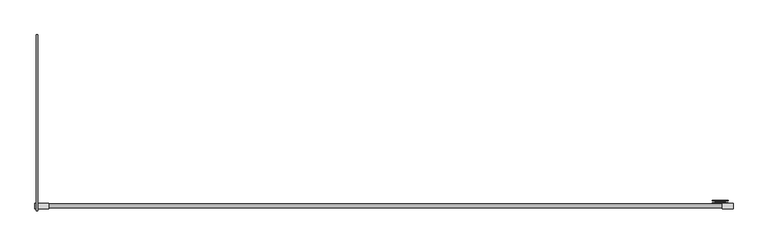
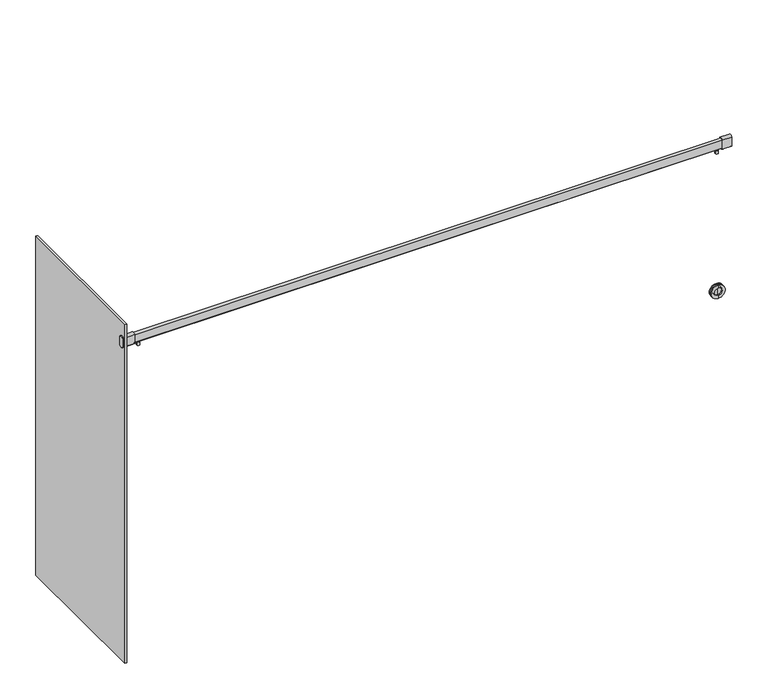
"""IFC4 building model written with IfcOpenShell, lengths in millimetres: proxy geometry."""

from ifc_helpers import new_model, si_unit, point, frame, frame_2d, origin, place, context, project, spatial, polyline, circle_curve, trimmed, segment, composite_curve, outline, extrude, source, transform, mapped, element, save
from ifc_brep_helpers import plane_surface, cylinder_surface, revolved_surface, advanced_brep


def specialty_equipment_ac7510e5(model_context):
    return source(origin(), model_context, "Body", "SolidModel", [
        advanced_brep(
        [(1731.9625, 33.8125, 1117.6), (1731.9625, 33.8125, 1035.05), (1731.9625, 29.05, 1035.05), (1731.9625, 29.05, 1117.6), (1731.9625, 33.8125, 1103.3125), (1731.9625, 33.8125, 1049.3375), (1731.9625, 38.575, 1103.3125), (1731.9625, 38.575, 1049.3375), (1731.9625, 38.575, 1076.325), (1731.9625, 37.78125, 1100.1375), (1731.9625, 37.78125, 1052.5125), (1731.9625, 37.78125, 1076.325), (1731.9625, 29.05, 1100.1375), (1731.9625, 29.05, 1052.5125)],
        [
            (0, 1, circle_curve(frame((1731.9625, 33.8125, 1076.325), z_axis=(0.0, -1.0, 0.0), x_axis=(0.0, 0.0, -1.0)), 41.275)),
            (1, 2),
            (2, 3, circle_curve(frame((1731.9625, 29.05, 1076.325), z_axis=(0.0, 1.0, 0.0), x_axis=(0.0, 0.0, -1.0)), 41.275)),
            (3, 0),
            (1, 0, circle_curve(frame((1731.9625, 33.8125, 1076.325), z_axis=(0.0, -1.0, 0.0), x_axis=(0.0, 0.0, -1.0)), 41.275)),
            (3, 2, circle_curve(frame((1731.9625, 29.05, 1076.325), z_axis=(0.0, 1.0, 0.0), x_axis=(0.0, 0.0, -1.0)), 41.275)),
            (4, 5, circle_curve(frame((1731.9625, 33.8125, 1076.325), z_axis=(0.0, -1.0, 0.0), x_axis=(0.0, 0.0, -1.0)), 26.9875)),
            (5, 1),
            (0, 4),
            (5, 4, circle_curve(frame((1731.9625, 33.8125, 1076.325), z_axis=(0.0, -1.0, 0.0), x_axis=(0.0, 0.0, -1.0)), 26.9875)),
            (6, 7, circle_curve(frame((1731.9625, 38.575, 1076.325), z_axis=(0.0, -1.0, 0.0), x_axis=(0.0, 0.0, -1.0)), 26.9875)),
            (7, 5),
            (4, 6),
            (7, 6, circle_curve(frame((1731.9625, 38.575, 1076.325), z_axis=(0.0, -1.0, 0.0), x_axis=(0.0, 0.0, -1.0)), 26.9875)),
            (8, 7),
            (6, 8),
            (9, 10, circle_curve(frame((1731.9625, 37.78125, 1076.325), z_axis=(0.0, -1.0, 0.0), x_axis=(0.0, 0.0, -1.0)), 23.8125)),
            (10, 11),
            (11, 9),
            (10, 9, circle_curve(frame((1731.9625, 37.78125, 1076.325), z_axis=(0.0, -1.0, 0.0), x_axis=(0.0, 0.0, -1.0)), 23.8125)),
            (12, 13, circle_curve(frame((1731.9625, 29.05, 1076.325), z_axis=(0.0, -1.0, 0.0), x_axis=(0.0, 0.0, -1.0)), 23.8125)),
            (13, 10),
            (9, 12),
            (13, 12, circle_curve(frame((1731.9625, 29.05, 1076.325), z_axis=(0.0, -1.0, 0.0), x_axis=(0.0, 0.0, -1.0)), 23.8125)),
            (2, 13),
            (12, 3),
        ],
        [
            cylinder_surface(frame((1731.9625, -13.175, 1076.325), z_axis=(0.0, 1.0, 0.0), x_axis=(0.0, 0.0, -1.0)), 41.275),
            plane_surface(frame((1731.9625, 33.8125, 1076.325), z_axis=(0.0, 1.0, 0.0), x_axis=(0.0, 0.0, -1.0))),
            cylinder_surface(frame((1731.9625, -13.175, 1076.325), z_axis=(0.0, 1.0, 0.0), x_axis=(0.0, 0.0, -1.0)), 26.9875),
            plane_surface(frame((1731.9625, 38.575, 1076.325), z_axis=(0.0, 1.0, 0.0), x_axis=(0.0, 0.0, -1.0))),
            plane_surface(frame((1731.9625, 37.78125, 1076.325), z_axis=(0.0, -1.0, 0.0), x_axis=(0.0, 0.0, -1.0))),
            revolved_surface(polyline([(1731.9625, 37.78125, 1052.5125), (1731.9625, 29.05, 1052.5125)]), (1731.9625, -13.175, 1076.325), (0.0, 1.0, 0.0)),
            plane_surface(frame((1731.9625, 29.05, 1076.325), z_axis=(0.0, -1.0, 0.0), x_axis=(0.0, 0.0, -1.0))),
        ],
        [
            (0, [[1, 2, 3, 4]]),
            (0, [[5, -4, 6, -2]]),
            (1, [[7, 8, -1, 9]]),
            (1, [[10, -9, -5, -8]]),
            (2, [[11, 12, -7, 13]]),
            (2, [[14, -13, -10, -12]]),
            (3, [[15, -11, 16]]),
            (3, [[-16, -14, -15]]),
            (4, [[17, 18, 19]]),
            (4, [[20, -19, -18]]),
            (5, [[21, 22, -17, 23]]),
            (5, [[24, -23, -20, -22]]),
            (6, [[-3, 25, -21, 26]]),
            (6, [[-6, -26, -24, -25]]),
        ],
    ),
        advanced_brep(
        [(1731.9625, 48.1, 1100.1375), (1731.9625, 48.1, 1052.5125), (1731.9625, 48.1, 1035.05), (1731.9625, 48.1, 1117.6), (1731.9625, 39.36875, 1100.1375), (1731.9625, 39.36875, 1052.5125), (1731.9625, 39.36875, 1076.325), (1731.9625, 38.575, 1103.3125), (1731.9625, 38.575, 1049.3375), (1731.9625, 38.575, 1076.325), (1731.9625, 43.3375, 1103.3125), (1731.9625, 43.3375, 1049.3375), (1731.9625, 43.3375, 1117.6), (1731.9625, 43.3375, 1035.05)],
        [
            (0, 1, circle_curve(frame((1731.9625, 48.1, 1076.325), z_axis=(0.0, -1.0, 0.0), x_axis=(0.0, 0.0, -1.0)), 23.8125)),
            (1, 2),
            (2, 3, circle_curve(frame((1731.9625, 48.1, 1076.325), z_axis=(0.0, 1.0, 0.0), x_axis=(0.0, 0.0, -1.0)), 41.275)),
            (3, 0),
            (1, 0, circle_curve(frame((1731.9625, 48.1, 1076.325), z_axis=(0.0, -1.0, 0.0), x_axis=(0.0, 0.0, -1.0)), 23.8125)),
            (3, 2, circle_curve(frame((1731.9625, 48.1, 1076.325), z_axis=(0.0, 1.0, 0.0), x_axis=(0.0, 0.0, -1.0)), 41.275)),
            (4, 5, circle_curve(frame((1731.9625, 39.36875, 1076.325), z_axis=(0.0, -1.0, 0.0), x_axis=(0.0, 0.0, -1.0)), 23.8125)),
            (5, 1),
            (0, 4),
            (5, 4, circle_curve(frame((1731.9625, 39.36875, 1076.325), z_axis=(0.0, -1.0, 0.0), x_axis=(0.0, 0.0, -1.0)), 23.8125)),
            (6, 5),
            (4, 6),
            (7, 8, circle_curve(frame((1731.9625, 38.575, 1076.325), z_axis=(0.0, -1.0, 0.0), x_axis=(0.0, 0.0, -1.0)), 26.9875)),
            (8, 9),
            (9, 7),
            (8, 7, circle_curve(frame((1731.9625, 38.575, 1076.325), z_axis=(0.0, -1.0, 0.0), x_axis=(0.0, 0.0, -1.0)), 26.9875)),
            (10, 11, circle_curve(frame((1731.9625, 43.3375, 1076.325), z_axis=(0.0, -1.0, 0.0), x_axis=(0.0, 0.0, -1.0)), 26.9875)),
            (11, 8),
            (7, 10),
            (11, 10, circle_curve(frame((1731.9625, 43.3375, 1076.325), z_axis=(0.0, -1.0, 0.0), x_axis=(0.0, 0.0, -1.0)), 26.9875)),
            (12, 13, circle_curve(frame((1731.9625, 43.3375, 1076.325), z_axis=(0.0, -1.0, 0.0), x_axis=(0.0, 0.0, -1.0)), 41.275)),
            (13, 11),
            (10, 12),
            (13, 12, circle_curve(frame((1731.9625, 43.3375, 1076.325), z_axis=(0.0, -1.0, 0.0), x_axis=(0.0, 0.0, -1.0)), 41.275)),
            (2, 13),
            (12, 3),
        ],
        [
            plane_surface(frame((1731.9625, 48.1, 1076.325), z_axis=(0.0, 1.0, 0.0), x_axis=(0.0, 0.0, -1.0))),
            revolved_surface(polyline([(1731.9625, 48.1, 1052.5125), (1731.9625, 39.36875, 1052.5125)]), (1731.9625, 5.875, 1076.325), (0.0, 1.0, 0.0)),
            plane_surface(frame((1731.9625, 39.36875, 1076.325), z_axis=(0.0, 1.0, 0.0), x_axis=(0.0, 0.0, -1.0))),
            plane_surface(frame((1731.9625, 38.575, 1076.325), z_axis=(0.0, -1.0, 0.0), x_axis=(0.0, 0.0, -1.0))),
            cylinder_surface(frame((1731.9625, 5.875, 1076.325), z_axis=(0.0, 1.0, 0.0), x_axis=(0.0, 0.0, -1.0)), 26.9875),
            plane_surface(frame((1731.9625, 43.3375, 1076.325), z_axis=(0.0, -1.0, 0.0), x_axis=(0.0, 0.0, -1.0))),
            cylinder_surface(frame((1731.9625, 5.875, 1076.325), z_axis=(0.0, 1.0, 0.0), x_axis=(0.0, 0.0, -1.0)), 41.275),
        ],
        [
            (0, [[1, 2, 3, 4]]),
            (0, [[5, -4, 6, -2]]),
            (1, [[7, 8, -1, 9]]),
            (1, [[10, -9, -5, -8]]),
            (2, [[11, -7, 12]]),
            (2, [[-12, -10, -11]]),
            (3, [[13, 14, 15]]),
            (3, [[16, -15, -14]]),
            (4, [[17, 18, -13, 19]]),
            (4, [[20, -19, -16, -18]]),
            (5, [[21, 22, -17, 23]]),
            (5, [[24, -23, -20, -22]]),
            (6, [[-3, 25, -21, 26]]),
            (6, [[-6, -26, -24, -25]]),
        ],
    ),
        extrude(outline(composite_curve([segment(trimmed(circle_curve(frame_2d((17.4625, 1994.4776496)), 17.8435), [point((31.496, 1983.4571519))], [point((3.429, 1983.4571519))], False, "CARTESIAN"), True, "CONTINUOUS"), segment(polyline([(3.429, 1983.4571519), (3.429, 2039.0771779)]), True, "CONTINUOUS"), segment(trimmed(circle_curve(frame_2d((17.4625, 2028.0566802)), 17.8435), [point((3.429, 2039.0771779))], [point((31.496, 2039.0771779))], False, "CARTESIAN"), True, "CONTINUOUS"), segment(polyline([(31.496, 2039.0771779), (31.496, 1983.4571519)]), True, "CONTINUOUS")], self_intersect=False)), frame((-1814.5125, 0.0, 0.0), z_axis=(1.0, 0.0, 0.0), x_axis=(0.0, 1.0, 0.0)), (0.0, 0.0, 1.0), 6.35),
        extrude(outline(composite_curve([segment(trimmed(circle_curve(frame_2d((-1715.5315907, 17.1696557)), 8.9754819), [point((-1724.5070726, 17.1696557))], [point((-1706.5561089, 17.1696557))], False, "CARTESIAN"), True, "CONTINUOUS"), segment(trimmed(circle_curve(frame_2d((-1715.5315907, 17.1696557)), 8.9754819), [point((-1706.5561089, 17.1696557))], [point((-1724.5070726, 17.1696557))], False, "CARTESIAN"), True, "CONTINUOUS")], self_intersect=False)), frame((0.0, 0.0, 1960.0969845), z_axis=(0.0, 0.0, 1.0), x_axis=(1.0, 0.0, 0.0)), (0.0, 0.0, 1.0), 21.1738233),
        extrude(outline(composite_curve([segment(polyline([(27.78125, 2035.9788834), (27.78125, 1986.5554464)]), True, "CONTINUOUS"), segment(trimmed(circle_curve(frame_2d((17.4625, 1994.1254207)), 12.7976995), [point((27.78125, 1986.5554464))], [point((7.14375, 1986.5554464))], False, "CARTESIAN"), True, "CONTINUOUS"), segment(polyline([(7.14375, 1986.5554464), (7.14375, 2035.9788834)]), True, "CONTINUOUS"), segment(trimmed(circle_curve(frame_2d((17.4625, 2028.408909)), 12.7976995), [point((7.14375, 2035.9788834))], [point((27.78125, 2035.9788834))], False, "CARTESIAN"), True, "CONTINUOUS")], self_intersect=False)), frame((-1742.2749, 0.0, 0.0), z_axis=(1.0, 0.0, 0.0), x_axis=(0.0, 1.0, 0.0)), (0.0, 0.0, 1.0), 3484.5498),
        extrude(outline(composite_curve([segment(trimmed(circle_curve(frame_2d((1715.5315907, 17.1696557)), 8.9754819), [point((1724.5070726, 17.1696557))], [point((1706.5561089, 17.1696557))], False, "CARTESIAN"), True, "CONTINUOUS"), segment(trimmed(circle_curve(frame_2d((1715.5315907, 17.1696557)), 8.9754819), [point((1706.5561089, 17.1696557))], [point((1724.5070726, 17.1696557))], False, "CARTESIAN"), True, "CONTINUOUS")], self_intersect=False)), frame((0.0, 0.0, 1960.0969845), z_axis=(0.0, 0.0, 1.0), x_axis=(1.0, 0.0, 0.0)), (0.0, 0.0, 1.0), 21.1738233),
        extrude(outline(composite_curve([segment(trimmed(circle_curve(frame_2d((17.4625, 1994.4776496)), 17.8435), [point((31.496, 1983.4571519))], [point((3.429, 1983.4571519))], False, "CARTESIAN"), True, "CONTINUOUS"), segment(polyline([(3.429, 1983.4571519), (3.429, 2039.0771779)]), True, "CONTINUOUS"), segment(trimmed(circle_curve(frame_2d((17.4625, 2028.0566802)), 17.8435), [point((3.429, 2039.0771779))], [point((31.496, 2039.0771779))], False, "CARTESIAN"), True, "CONTINUOUS"), segment(polyline([(31.496, 2039.0771779), (31.496, 1983.4571519)]), True, "CONTINUOUS")], self_intersect=False)), frame((1742.2749, 0.0, 0.0), z_axis=(1.0, 0.0, 0.0), x_axis=(0.0, 1.0, 0.0)), (0.0, 0.0, 1.0), 56.3626),
        extrude(outline(composite_curve([segment(trimmed(circle_curve(frame_2d((17.4625, 1994.4776496)), 17.8435), [point((31.496, 1983.4571519))], [point((3.429, 1983.4571519))], False, "CARTESIAN"), True, "CONTINUOUS"), segment(polyline([(3.429, 1983.4571519), (3.429, 2039.0771779)]), True, "CONTINUOUS"), segment(trimmed(circle_curve(frame_2d((17.4625, 2028.0566802)), 17.8435), [point((3.429, 2039.0771779))], [point((31.496, 2039.0771779))], False, "CARTESIAN"), True, "CONTINUOUS"), segment(polyline([(31.496, 2039.0771779), (31.496, 1983.4571519)]), True, "CONTINUOUS")], self_intersect=False)), frame((-1798.6375, 0.0, 0.0), z_axis=(1.0, 0.0, 0.0), x_axis=(0.0, 1.0, 0.0)), (0.0, 0.0, 1.0), 56.3626),
        extrude(outline(polyline([(-1798.6375, 904.875), (-1798.6375, -8.73125), (-1808.1625, -8.73125), (-1808.1625, 904.875), (-1798.6375, 904.875)])), frame((0.0, 0.0, 6.35), z_axis=(0.0, 0.0, 1.0), x_axis=(1.0, 0.0, 0.0)), (0.0, 0.0, 1.0), 2127.25),
    ])


if __name__ == "__main__":
    model = new_model("IFC4")
    model_context = context("Model", 3, world=origin())
    ifc_project = project(units=[si_unit("LENGTHUNIT", "METRE", prefix="MILLI")], contexts=[model_context])
    site = spatial("IfcSite", under=ifc_project)
    building = spatial("IfcBuilding", under=site)
    placement = place(None, origin())
    specialty_equipment_shape = specialty_equipment_ac7510e5(model_context)
    element("IfcBuildingElementProxy", 1, Name="Specialty Equipment", at=placement, inside=building, context=model_context, shape_type="MappedRepresentation", body=[
        mapped(specialty_equipment_shape, transform((0.0, 0.0, 0.0), x_axis=(1.0, 0.0, 0.0), y_axis=(0.0, 1.0, 0.0), z_axis=(0.0, 0.0, 1.0))),
    ])
    save(model, "model.ifc")
